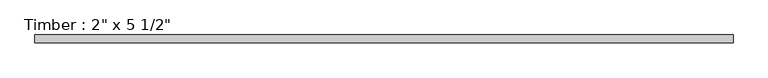
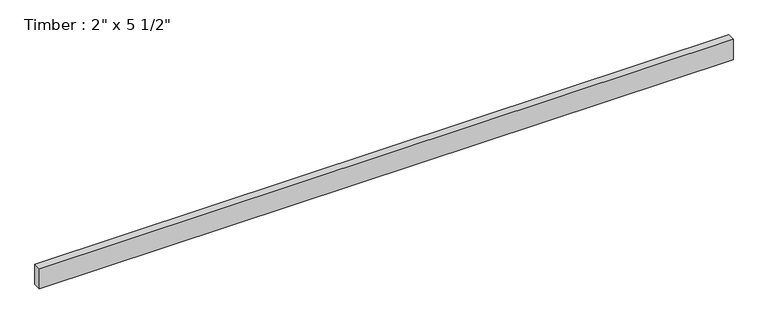
"""IFC4 building model written with IfcOpenShell, lengths in millimetres: beam geometry."""

from ifc_helpers import new_model, si_unit, frame, origin, place, context, project, spatial, polyline, outline, extrude, source, transform, mapped, element, save


def beam_47db0e1d(model_context):
    return source(origin(), model_context, "Body", "SweptSolid", [
        extrude(outline(polyline([(2262.2032772, 25.4), (2262.2032772, -25.4), (-2262.2032772, -25.4), (-2262.2032772, 25.4), (2262.2032772, 25.4)])), frame((0.0, 0.0, -69.85), z_axis=(0.0, 0.0, 1.0), x_axis=(1.0, 0.0, 0.0)), (0.0, 0.0, 1.0), 139.7),
    ])


if __name__ == "__main__":
    model = new_model("IFC4")
    model_context = context("Model", 3, world=origin())
    ifc_project = project(units=[si_unit("LENGTHUNIT", "METRE", prefix="MILLI")], contexts=[model_context])
    site = spatial("IfcSite", under=ifc_project)
    building = spatial("IfcBuilding", under=site)
    placement = place(None, origin())
    beam_shape = beam_47db0e1d(model_context)
    element("IfcBeam", 1, ObjectType="Timber : 2\" x 5 1/2\"", at=placement, inside=building, context=model_context, shape_type="MappedRepresentation", body=[
        mapped(beam_shape, transform((0.0, 0.0, 0.0), x_axis=(1.0, 0.0, 0.0), y_axis=(0.0, 1.0, 0.0), z_axis=(0.0, 0.0, 1.0))),
    ])
    save(model, "model.ifc")
